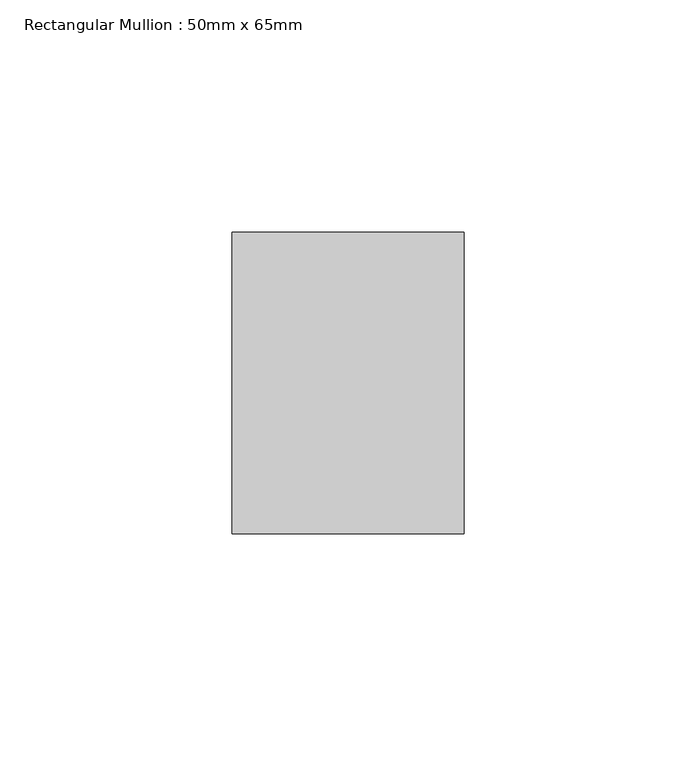
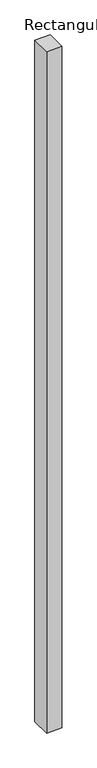
"""IFC4 building model written with IfcOpenShell, lengths in millimetres: member geometry, Rectangular Mullion : 50mm x 65mm."""

from ifc_helpers import new_model, si_unit, frame, origin, place, context, project, spatial, polyline, outline, extrude, source, transform, mapped, element, save


def rectangular_mullion_50mm_x_65mm_a5c7737f(model_context):
    return source(origin(), model_context, "Body", "SweptSolid", [
        extrude(outline(polyline([(25.0, 32.5), (25.0, -32.5), (-25.0, -32.5), (-25.0, 32.5), (25.0, 32.5)])), frame((0.0, 0.0, -2332.1775768), z_axis=(0.0, 0.0, 1.0), x_axis=(1.0, 0.0, 0.0)), (0.0, 0.0, 1.0), 2332.1775768),
    ])


if __name__ == "__main__":
    model = new_model("IFC4")
    model_context = context("Model", 3, world=origin())
    ifc_project = project(units=[si_unit("LENGTHUNIT", "METRE", prefix="MILLI")], contexts=[model_context])
    site = spatial("IfcSite", under=ifc_project)
    building = spatial("IfcBuilding", under=site)
    placement = place(None, origin())
    rectangular_mullion_50mm_x_65mm_shape = rectangular_mullion_50mm_x_65mm_a5c7737f(model_context)
    element("IfcMember", 1, ObjectType="Rectangular Mullion : 50mm x 65mm", at=placement, inside=building, context=model_context, shape_type="MappedRepresentation", body=[
        mapped(rectangular_mullion_50mm_x_65mm_shape, transform((0.0, 0.0, 0.0), x_axis=(1.0, 0.0, 0.0), y_axis=(0.0, 1.0, 0.0), z_axis=(0.0, 0.0, 1.0))),
    ])
    save(model, "model.ifc")
